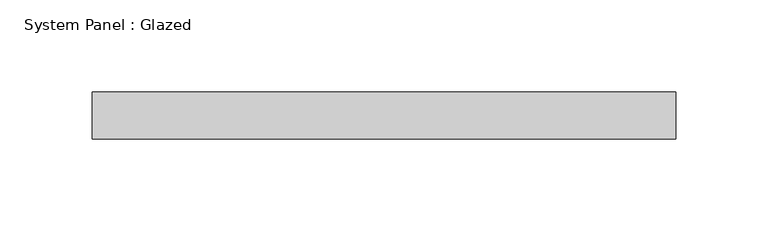
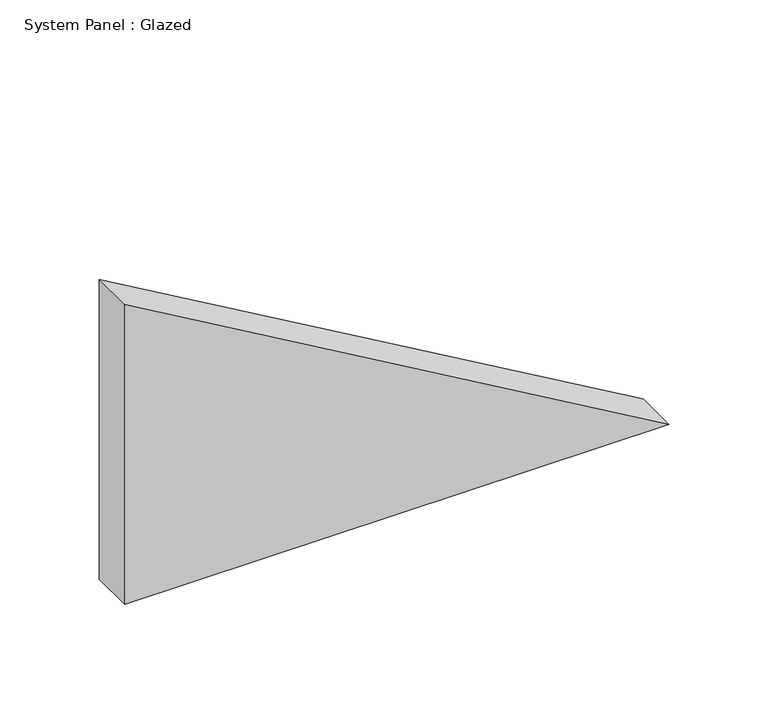
"""IFC4 building model written with IfcOpenShell, lengths in millimetres: plate geometry, System Panel : Glazed."""

from ifc_helpers import new_model, si_unit, frame, origin, place, context, project, spatial, polyline, outline, extrude, source, transform, mapped, element, save


def system_panel_glazed_141cf4e8(model_context):
    return source(origin(), model_context, "Body", "SweptSolid", [
        extrude(outline(polyline([(0.0, -158.0696359), (0.0, 158.0696359), (184.3615189, -158.0696359), (0.0, -158.0696359)])), frame((0.0, 19.05, 0.0), z_axis=(0.0, 1.0, 0.0), x_axis=(0.0, 0.0, 1.0)), (0.0, 0.0, 1.0), 25.4),
    ])


if __name__ == "__main__":
    model = new_model("IFC4")
    model_context = context("Model", 3, world=origin())
    ifc_project = project(units=[si_unit("LENGTHUNIT", "METRE", prefix="MILLI")], contexts=[model_context])
    site = spatial("IfcSite", under=ifc_project)
    building = spatial("IfcBuilding", under=site)
    placement = place(None, origin())
    system_panel_glazed_shape = system_panel_glazed_141cf4e8(model_context)
    element("IfcPlate", 1, ObjectType="System Panel : Glazed", at=placement, inside=building, context=model_context, shape_type="MappedRepresentation", body=[
        mapped(system_panel_glazed_shape, transform((0.0, 0.0, 0.0), x_axis=(1.0, 0.0, 0.0), y_axis=(0.0, 1.0, 0.0), z_axis=(0.0, 0.0, 1.0))),
    ])
    save(model, "model.ifc")
